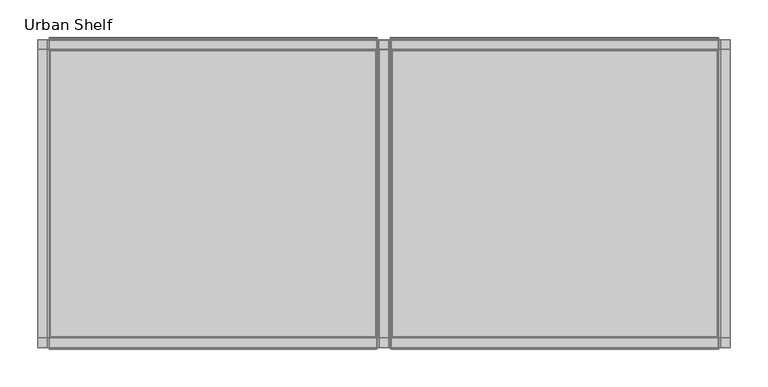
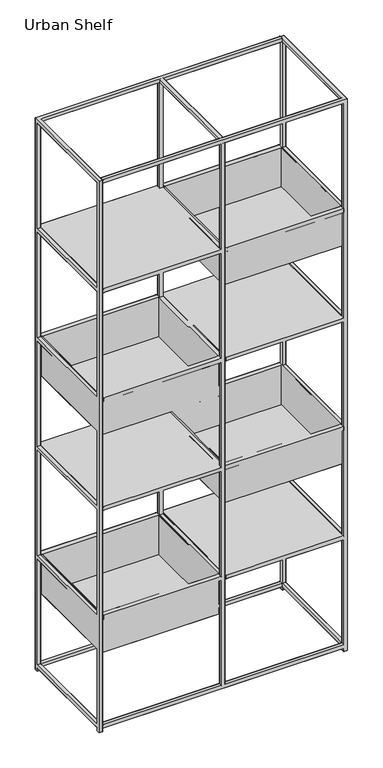
"""IFC4 building model written with IfcOpenShell, lengths in millimetres: furniture geometry, Urban Shelf."""

import ifcopenshell
import ifcopenshell.guid

model = None  # the IFC model being written
_history = None  # IfcOwnerHistory: only IFC2X3 demands one
_inside = {}  # id of a spatial element -> (the spatial element, [elements in it])
_under = {}  # id of a project, library or spatial element -> (it, [spatial elements below it])
_declared = {}  # id of a project -> (the project, [libraries it declares])
_typed = {}  # id of a type object -> (the type object, [elements of that type])
_made_of = {}  # id of a material, layer set ... -> (it, [elements and type objects made of it])


def new_model(schema):
    """Start an empty IFC model of exactly this schema.

    Asked for "IFC4X3", IfcOpenShell would pick the latest addendum, in which some entities
    have other attributes; the version numbers below select the first issue.
    IFC2X3 requires an IfcOwnerHistory on every rooted entity: one is made here for all.
    """
    global model, _history
    if schema == "IFC4X3":
        model = ifcopenshell.file(schema_version=(4, 3, 0, 0))
    else:
        model = ifcopenshell.file(schema=schema)
    _inside.clear()
    _under.clear()
    _declared.clear()
    _typed.clear()
    _made_of.clear()
    _history = None
    if model.schema == "IFC2X3":
        org = make("IfcOrganization", Name="unknown")
        user = make(
            "IfcPersonAndOrganization",
            ThePerson=make("IfcPerson", FamilyName="unknown"),
            TheOrganization=org,
        )
        app = make(
            "IfcApplication",
            ApplicationDeveloper=org,
            Version="unknown",
            ApplicationFullName="unknown",
            ApplicationIdentifier="unknown",
        )
        _history = make(
            "IfcOwnerHistory",
            OwningUser=user,
            OwningApplication=app,
            ChangeAction="ADDED",
            CreationDate=0,
        )
    return model


def make(cls, **values):
    """One entity of the class cls with the attributes given. An attribute that is None is left unset."""
    return model.create_entity(
        cls, **{name: value for name, value in values.items() if value is not None}
    )


def rooted(cls, **values):
    """An entity with a GlobalId (a new one), such as an element, a storey or a relation."""
    return make(cls, GlobalId=ifcopenshell.guid.new(), OwnerHistory=_history, **values)


def si_unit(unit_type, name, prefix=None):
    """IfcSIUnit, for example si_unit("LENGTHUNIT", "METRE", prefix="MILLI")."""
    return make("IfcSIUnit", UnitType=unit_type, Prefix=prefix, Name=name)


def assignment(units):
    """IfcUnitAssignment: the units of a project."""
    return None if units is None else make("IfcUnitAssignment", Units=units)


def point(xyz):
    """IfcCartesianPoint."""
    return None if xyz is None else make("IfcCartesianPoint", Coordinates=xyz)


def direction(xyz):
    """IfcDirection."""
    return None if xyz is None else make("IfcDirection", DirectionRatios=xyz)


def frame(location, z_axis=None, x_axis=None):
    """IfcAxis2Placement3D, a coordinate frame: its origin and axes. An axis left out is left unset."""
    return make(
        "IfcAxis2Placement3D",
        Location=point(location),
        Axis=direction(z_axis),
        RefDirection=direction(x_axis),
    )


def origin():
    """The frame at (0, 0, 0) with its axes left unset."""
    return frame((0.0, 0.0, 0.0))


def place(relative_to, where):
    """IfcLocalPlacement: puts the frame where relative to a parent placement (None: the world)."""
    return make(
        "IfcLocalPlacement", PlacementRelTo=relative_to, RelativePlacement=where
    )


def context(
    kind, dimensions, precision=None, world=None, true_north=None, identifier=None
):
    """IfcGeometricRepresentationContext, for example the 3D "Model" context."""
    return make(
        "IfcGeometricRepresentationContext",
        ContextIdentifier=identifier,
        ContextType=kind,
        CoordinateSpaceDimension=dimensions,
        Precision=precision,
        WorldCoordinateSystem=world,
        TrueNorth=true_north,
    )


def project(units=None, contexts=None):
    """IfcProject with its units and contexts."""
    return rooted(
        "IfcProject",
        Name="project",
        RepresentationContexts=contexts,
        UnitsInContext=assignment(units),
    )


def spatial(cls, under=None, at=None, **own):
    """A site, building, storey or space (cls), placed at a placement, below another one or the project."""
    s = rooted(cls, ObjectPlacement=at, **own)
    if under is not None:
        _under.setdefault(under.id(), (under, []))[1].append(s)
    return s


def point_list(points):
    """IfcCartesianPointList2D or 3D."""
    cls = (
        "IfcCartesianPointList2D" if len(points[0]) == 2 else "IfcCartesianPointList3D"
    )
    return make(cls, CoordList=points)


def triangles(points, corners, closed=None, point_numbers=None):
    """IfcTriangulatedFaceSet: each triangle names its three corners, points numbered from 1."""
    return make(
        "IfcTriangulatedFaceSet",
        Coordinates=point_list(points),
        Closed=closed,
        CoordIndex=corners,
        PnIndex=point_numbers,
    )


def shape(context_of_items, identifier, shape_type, items):
    """IfcShapeRepresentation: the items that make up one representation, for example the "Body"."""
    return make(
        "IfcShapeRepresentation",
        ContextOfItems=context_of_items,
        RepresentationIdentifier=identifier,
        RepresentationType=shape_type,
        Items=items,
    )


def source(mapping_origin, context_of_items, identifier, shape_type, items):
    """IfcRepresentationMap: a shape defined once, which mapped items show again and again."""
    return make(
        "IfcRepresentationMap",
        MappingOrigin=mapping_origin,
        MappedRepresentation=shape(context_of_items, identifier, shape_type, items),
    )


def transform(
    local_origin,
    x_axis=None,
    y_axis=None,
    z_axis=None,
    scale=None,
    scale2=None,
    scale3=None,
    uniform=True,
):
    """IfcCartesianTransformationOperator3D, or its non-uniform kind. x_axis, y_axis, z_axis: its Axis1, 2, 3."""
    if uniform:
        return make(
            "IfcCartesianTransformationOperator3D",
            Axis1=direction(x_axis),
            Axis2=direction(y_axis),
            LocalOrigin=point(local_origin),
            Scale=scale,
            Axis3=direction(z_axis),
        )
    return make(
        "IfcCartesianTransformationOperator3DnonUniform",
        Axis1=direction(x_axis),
        Axis2=direction(y_axis),
        LocalOrigin=point(local_origin),
        Scale=scale,
        Axis3=direction(z_axis),
        Scale2=scale2,
        Scale3=scale3,
    )


def mapped(mapping_source, mapping_target):
    """IfcMappedItem: shows the shape of a source again, moved by a transform."""
    return make(
        "IfcMappedItem", MappingSource=mapping_source, MappingTarget=mapping_target
    )


def made_of(thing, what):
    """Note that an element or type object is made of a material, layer set ...; save() writes the relation."""
    if what is not None:
        _made_of.setdefault(what.id(), (what, []))[1].append(thing)
    return thing


def element(
    cls,
    number,
    at=None,
    inside=None,
    cuts=None,
    type_object=None,
    material=None,
    context=None,
    identifier="Body",
    shape_type=None,
    held_by="IfcProductDefinitionShape",
    body=None,
    shapes=None,
    **own,
):
    """One element of the class cls, such as IfcWall. Its Tag is "e" and its number.

    at: its placement. inside: the storey or other place that contains it. cuts: it is an
    opening in that element (IfcRelVoidsElement). A single representation is given by context,
    identifier, shape_type and body (its items); several are given by shapes. held_by: the class
    of the entity that holds the representations. save() writes the other relations.
    """
    e = rooted(cls, Tag="e%d" % number, ObjectPlacement=at, **own)
    if body is not None:
        shapes = [shape(context, identifier, shape_type, body)]
    if shapes is not None:
        e.Representation = make(held_by, Representations=shapes)
    if inside is not None:
        _inside.setdefault(inside.id(), (inside, []))[1].append(e)
    if cuts is not None:
        rooted(
            "IfcRelVoidsElement", RelatingBuildingElement=cuts, RelatedOpeningElement=e
        )
    if type_object is not None:
        _typed.setdefault(type_object.id(), (type_object, []))[1].append(e)
    return made_of(e, material)


def aggregate(whole, parts):
    """IfcRelAggregates: a whole, such as a stair, and the parts it consists of."""
    return rooted("IfcRelAggregates", RelatingObject=whole, RelatedObjects=parts)


def save(model, path):
    """Write the relations noted so far, then the file.

    IfcRelAggregates (storeys below a building ...), IfcRelContainedInSpatialStructure (elements
    in a storey), IfcRelDefinesByType, IfcRelAssociatesMaterial and IfcRelDeclares: one each for
    every whole, place, type object, material and project.
    """
    for whole, parts in _under.values():
        aggregate(whole, parts)
    for where, things in _inside.values():
        rooted(
            "IfcRelContainedInSpatialStructure",
            RelatedElements=things,
            RelatingStructure=where,
        )
    for kind, things in _typed.values():
        rooted("IfcRelDefinesByType", RelatedObjects=things, RelatingType=kind)
    for what, things in _made_of.values():
        rooted("IfcRelAssociatesMaterial", RelatedObjects=things, RelatingMaterial=what)
    for by, libraries in _declared.values():
        rooted("IfcRelDeclares", RelatingContext=by, RelatedDefinitions=libraries)
    model.write(path)


def urban_shelf_da759b6c(model_context):
    return source(origin(), model_context, "Body", "Tessellation", [
        triangles([(-444.4238176, -203.1999879, 13.2291264), (444.4238176, -203.1999879, 13.2291264), (-444.4238176, -203.1999879, 25.9291995), (444.4238176, -203.1999879, 25.9291995), (-444.4238176, -190.4999637, 13.2291264), (-444.4238176, -190.4999637, 25.9291995), (444.4238176, -190.4999637, 13.2291264), (444.4238176, -190.4999637, 25.9291995), (-444.4238176, 190.5000363, 13.2291264), (444.4238176, 190.5000363, 13.2291264), (-444.4238176, 190.5000363, 25.9291995), (444.4238176, 190.5000363, 25.9291995), (-444.4238176, 203.1999879, 13.2291264), (-444.4238176, 203.1999879, 25.9291995), (444.4238176, 203.1999879, 13.2291264), (444.4238176, 203.1999879, 25.9291995), (457.1240235, -190.4999637, 25.9291995), (457.1240235, -190.4999637, 13.2291264), (457.1240235, 190.5000363, 25.9291995), (457.1240235, 190.5000363, 13.2291264), (6.1210937, -203.1999879, 25.8503412), (6.1210937, -203.1999879, 2130.7058453), (-6.5781249, -203.1999879, 25.8503412), (-6.5781249, -203.1999879, 2130.7058453), (6.1210937, -190.4999637, 25.8503412), (-6.5781249, -190.4999637, 25.8503412), (6.1210937, -190.4999637, 2130.7058453), (-6.5781249, -190.4999637, 2130.7058453), (5.9433594, 190.5000363, 25.8503412), (5.9433594, 190.5000363, 2130.7058453), (-6.7568357, 190.5000363, 25.8503412), (-6.7568357, 190.5000363, 2130.7058453), (5.9433594, 203.1999879, 25.8503412), (-6.7568357, 203.1999879, 25.8503412), (5.9433594, 203.1999879, 2130.7058453), (-6.7568357, 203.1999879, 2130.7058453), (-444.4238176, -203.1999879, 2130.4250484), (444.4238176, -203.1999879, 2130.4250484), (-444.4238176, -203.1999879, 2143.125), (444.4238176, -203.1999879, 2143.125), (-444.4238176, -190.4999637, 2130.4250484), (-444.4238176, -190.4999637, 2143.125), (444.4238176, -190.4999637, 2130.4250484), (444.4238176, -190.4999637, 2143.125), (-444.4238176, 190.5000363, 2130.4250484), (444.4238176, 190.5000363, 2130.4250484), (-444.4238176, 190.5000363, 2143.125), (444.4238176, 190.5000363, 2143.125), (-444.4238176, 203.1999879, 2130.4250484), (-444.4238176, 203.1999879, 2143.125), (444.4238176, 203.1999879, 2130.4250484), (444.4238176, 203.1999879, 2143.125), (444.4238176, -190.4999637, 2142.5956718), (444.4238176, 190.5000363, 2142.5956718), (444.4238176, -190.4999637, 2129.8957203), (444.4238176, 190.5000363, 2129.8957203), (457.1240235, -190.4999637, 2142.5956718), (457.1240235, -190.4999637, 2129.8957203), (457.1240235, 190.5000363, 2142.5956718), (457.1240235, 190.5000363, 2129.8957203), (-457.1240235, -190.4999637, 25.4000235), (-457.1240235, 190.5000363, 25.4000235), (-457.1240235, -190.4999637, 12.6999516), (-457.1240235, 190.5000363, 12.6999516), (-444.4238176, -190.4999637, 25.4000235), (-444.4238176, -190.4999637, 12.6999516), (-444.4238176, 190.5000363, 25.4000235), (-444.4238176, 190.5000363, 12.6999516), (-457.1240235, -190.4999637, 2142.5956718), (-457.1240235, 190.5000363, 2142.5956718), (-457.1240235, -190.4999637, 2129.8957203), (-457.1240235, 190.5000363, 2129.8957203), (-444.4238176, -190.4999637, 2142.5956718), (-444.4238176, -190.4999637, 2129.8957203), (-444.4238176, 190.5000363, 2142.5956718), (-444.4238176, 190.5000363, 2129.8957203), (-6.7314455, -190.4999637, 2143.1842987), (-6.7314455, 190.5000363, 2143.1842987), (-6.7314455, -190.4999637, 2130.4843472), (-6.7314455, 190.5000363, 2130.4843472), (5.9687502, -190.4999637, 2143.1842987), (5.9687502, -190.4999637, 2130.4843472), (5.9687502, 190.5000363, 2143.1842987), (5.9687502, 190.5000363, 2130.4843472), (-444.4238176, -203.1999879, 1706.5592056), (444.4238176, -203.1999879, 1706.5592056), (-444.4238176, -203.1999879, 1719.2591572), (444.4238176, -203.1999879, 1719.2591572), (-444.4238176, -190.4999637, 1706.5592056), (-444.4238176, -190.4999637, 1719.2591572), (444.4238176, -190.4999637, 1706.5592056), (444.4238176, -190.4999637, 1719.2591572), (-444.4238176, 190.5000363, 1706.5592056), (444.4238176, 190.5000363, 1706.5592056), (-444.4238176, 190.5000363, 1719.2591572), (444.4238176, 190.5000363, 1719.2591572), (-444.4238176, 203.1999879, 1706.5592056), (-444.4238176, 203.1999879, 1719.2591572), (444.4238176, 203.1999879, 1706.5592056), (444.4238176, 203.1999879, 1719.2591572), (-457.1240235, -190.4999637, 1719.2591572), (-457.1240235, 190.5000363, 1719.2591572), (-457.1240235, -190.4999637, 1706.5592056), (-457.1240235, 190.5000363, 1706.5592056), (-6.5273439, -190.4999637, 1719.2591572), (-6.5273439, 190.5000363, 1719.2591572), (-6.5273439, -190.4999637, 1706.5592056), (-6.5273439, 190.5000363, 1706.5592056), (6.1718753, -190.4999637, 1719.2591572), (6.1718753, -190.4999637, 1706.5592056), (6.1718753, 190.5000363, 1719.2591572), (6.1718753, 190.5000363, 1706.5592056), (-444.4238176, -203.1999879, 1283.2222549), (444.4238176, -203.1999879, 1283.2222549), (-444.4238176, -203.1999879, 1295.9223518), (444.4238176, -203.1999879, 1295.9223518), (-444.4238176, -190.4999637, 1283.2222549), (-444.4238176, -190.4999637, 1295.9223518), (444.4238176, -190.4999637, 1283.2222549), (444.4238176, -190.4999637, 1295.9223518), (-444.4238176, 190.5000363, 1283.2222549), (444.4238176, 190.5000363, 1283.2222549), (-444.4238176, 190.5000363, 1295.9223518), (444.4238176, 190.5000363, 1295.9223518), (-444.4238176, 203.1999879, 1283.2222549), (-444.4238176, 203.1999879, 1295.9223518), (444.4238176, 203.1999879, 1283.2222549), (444.4238176, 203.1999879, 1295.9223518), (457.1240235, -190.4999637, 1295.9223518), (457.1240235, -190.4999637, 1283.2222549), (457.1240235, 190.5000363, 1295.9223518), (457.1240235, 190.5000363, 1283.2222549), (-457.1240235, -190.4999637, 1295.9223518), (-457.1240235, 190.5000363, 1295.9223518), (-457.1240235, -190.4999637, 1283.2222549), (-457.1240235, 190.5000363, 1283.2222549), (-6.3749998, -190.4999637, 1295.9223518), (-6.3749998, 190.5000363, 1295.9223518), (-6.3749998, -190.4999637, 1283.2222549), (-6.3749998, 190.5000363, 1283.2222549), (6.3242188, -190.4999637, 1295.9223518), (6.3242188, -190.4999637, 1283.2222549), (6.3242188, 190.5000363, 1295.9223518), (6.3242188, 190.5000363, 1283.2222549), (-444.4238176, -203.1999879, 859.8856676), (444.4238176, -203.1999879, 859.8856676), (-444.4238176, -203.1999879, 872.5856918), (444.4238176, -203.1999879, 872.5856918), (-444.4238176, -190.4999637, 859.8856676), (-444.4238176, -190.4999637, 872.5856918), (444.4238176, -190.4999637, 859.8856676), (444.4238176, -190.4999637, 872.5856918), (444.4238176, 190.5000363, 872.5856918), (444.4238176, 190.5000363, 859.8856676), (457.1240235, -190.4999637, 872.5856918), (457.1240235, -190.4999637, 859.8856676), (457.1240235, 190.5000363, 872.5856918), (457.1240235, 190.5000363, 859.8856676), (-457.1240235, -190.4999637, 873.114802), (-457.1240235, 190.5000363, 873.114802), (-457.1240235, -190.4999637, 860.4147778), (-457.1240235, 190.5000363, 860.4147778), (-444.4238176, -190.4999637, 873.114802), (-444.4238176, -190.4999637, 860.4147778), (-444.4238176, 190.5000363, 873.114802), (-444.4238176, 190.5000363, 860.4147778), (-6.6806639, -190.4999637, 872.5856918), (-6.6806639, 190.5000363, 872.5856918), (-6.6806639, -190.4999637, 859.8856676), (-6.6806639, 190.5000363, 859.8856676), (6.0195312, -190.4999637, 872.5856918), (6.0195312, -190.4999637, 859.8856676), (6.0195312, 190.5000363, 872.5856918), (6.0195312, 190.5000363, 859.8856676), (-444.4238176, -203.1999879, 436.0155009), (444.4238176, -203.1999879, 436.0155009), (-444.4238176, -203.1999879, 448.7155615), (444.4238176, -203.1999879, 448.7155615), (-444.4238176, -190.4999637, 436.0176447), (-444.4238176, -190.4999637, 448.7176689), (444.4238176, -190.4999637, 436.0155009), (444.4238176, -190.4999637, 448.7155615), (444.4238176, -190.4999637, 449.2488865), (444.4238176, 190.5000363, 449.2488865), (444.4238176, -190.4999637, 436.5489349), (444.4238176, 190.5000363, 436.5489349), (457.1240235, -190.4999637, 449.2488865), (457.1240235, -190.4999637, 436.5489349), (457.1240235, 190.5000363, 449.2488865), (457.1240235, 190.5000363, 436.5489349), (-457.1240235, -190.4999637, 448.7197763), (-457.1240235, 190.5000363, 448.7197763), (-457.1240235, -190.4999637, 436.0197885), (-457.1240235, 190.5000363, 436.0197885), (-444.4238176, 190.5000363, 448.7197763), (-444.4238176, 190.5000363, 436.0197885), (-6.6552732, -190.4999637, 449.7780693), (-6.6552732, 190.5000363, 449.7780693), (-6.6552732, -190.4999637, 437.0781178), (-6.6552732, 190.5000363, 437.0781178), (6.0449219, -190.4999637, 449.7780693), (6.0449219, -190.4999637, 437.0781178), (6.0449219, 190.5000363, 449.7780693), (6.0449219, 190.5000363, 437.0781178), (457.0478654, -190.4999637, 1719.2591572), (457.0478654, -190.4999637, 1706.5592056), (457.0478654, 190.5000363, 1719.2591572), (457.0478654, 190.5000363, 1706.5592056), (-444.4238176, 190.2206203, 436.0155009), (444.4238176, 190.2206203, 436.0155009), (-444.4238176, 190.2206203, 448.7155615), (444.4238176, 190.2206203, 448.7155615), (-444.4238176, 202.9206808, 436.0155009), (-444.4238176, 202.9206808, 448.7155615), (444.4238176, 202.9206808, 436.0155009), (444.4238176, 202.9206808, 448.7155615), (-444.4238176, 190.2206203, 860.068578), (444.4238176, 190.2206203, 860.068578), (-444.4238176, 190.2206203, 872.7685295), (444.4238176, 190.2206203, 872.7685295), (-444.4238176, 202.9206808, 860.068578), (-444.4238176, 202.9206808, 872.7685295), (444.4238176, 202.9206808, 860.068578), (444.4238176, 202.9206808, 872.7685295), (444.4238176, -203.1999879, 0.0), (444.4238176, -190.4999637, 0.0), (457.1240235, -203.1999879, 0.0), (457.1240235, -190.4999637, 0.0), (457.1240235, -203.1999879, 2142.5956718), (444.4238176, 190.5000363, 0.0), (444.4238176, 203.1999879, 0.0), (457.1240235, 190.5000363, 0.0), (457.1240235, 203.1999879, 0.0), (457.1240235, 203.1999879, 2142.5956718), (444.4238176, 203.1999879, 2142.5956718), (444.4238176, -203.1999879, 2142.5956718), (-457.1240235, -203.1999879, 0.0), (-457.1240235, -190.4999637, 0.0), (-444.4238176, -203.1999879, 0.0), (-444.4238176, -190.4999637, 0.0), (-444.4238176, -203.1999879, 2142.5956718), (-457.1240235, 190.5000363, 0.0), (-457.1240235, 203.1999879, 0.0), (-444.4238176, 190.5000363, 0.0), (-444.4238176, 203.1999879, 0.0), (-444.4238176, 203.1999879, 2142.5956718), (-457.1240235, 203.1999879, 2142.5956718), (-457.1240235, -203.1999879, 2142.5956718), (441.7568293, -205.1172764, 1707.7688702), (441.7568293, -205.1172764, 1721.9036179), (440.2968893, -205.1172764, 1707.7688702), (440.2968893, -205.1172764, 1721.9036179), (441.7568293, -188.6834321, 1721.9040539), (440.2968893, -188.6834321, 1721.9040539), (441.7568293, -190.2709624, 1567.9163601), (441.7568293, -190.2709624, 1720.3162148), (440.2968893, -190.2709624, 1567.9163601), (440.2968893, -190.2709624, 1720.3162148), (441.7568293, -203.5297461, 1720.3162148), (440.2968893, -203.5297461, 1720.3162148), (441.7568293, -203.5297461, 1707.7688702), (440.2968893, -203.5297461, 1707.7688702), (441.7568293, 190.1406469, 1567.9163601), (440.2968893, 190.1406469, 1567.9163601), (441.7568293, -188.6834321, 1569.5037632), (441.7568293, 188.5531348, 1569.5037632), (441.7568293, 188.5531348, 1721.9040539), (440.2968893, -188.6834321, 1569.5037632), (440.2968893, 188.5531348, 1569.5037632), (440.2968893, 188.5531348, 1721.9040539), (9.3974608, -205.1172764, 1707.7688702), (10.8574223, -205.1172764, 1707.7688702), (9.3974608, -205.1172764, 1721.9036179), (10.8574223, -205.1172764, 1721.9036179), (9.3974608, -188.6834321, 1721.9040539), (10.8574223, -188.6834321, 1721.9040539), (9.3974608, -190.2709624, 1567.9163601), (10.8574223, -190.2709624, 1567.9163601), (9.3974608, -190.2709624, 1720.3162148), (10.8574223, -190.2709624, 1720.3162148), (9.3974608, -203.5297461, 1720.3162148), (10.8574223, -203.5297461, 1720.3162148), (9.3974608, -203.5297461, 1707.7688702), (10.8574223, -203.5297461, 1707.7688702), (9.3974608, 190.1406469, 1567.9163601), (10.8574223, 190.1406469, 1567.9163601), (9.3974608, -188.6834321, 1569.5037632), (9.3974608, 188.5531348, 1569.5037632), (10.8574223, -188.6834321, 1569.5037632), (10.8574223, 188.5531348, 1569.5037632), (9.3974608, 188.5531348, 1721.9040539), (10.8574223, 188.5531348, 1721.9040539), (441.7568293, 204.9869609, 1707.7688702), (440.2968893, 204.9869609, 1707.7688702), (441.7568293, 204.9869609, 1721.9036179), (440.2968893, 204.9869609, 1721.9036179), (441.7568293, 190.1406469, 1720.3162148), (440.2968893, 190.1406469, 1720.3162148), (441.7568293, 203.3994488, 1720.3162148), (440.2968893, 203.3994488, 1720.3162148), (441.7568293, 203.3994488, 1707.7688702), (440.2968893, 203.3994488, 1707.7688702), (9.3974608, 204.9869609, 1707.7688702), (9.3974608, 204.9869609, 1721.9036179), (10.8574223, 204.9869609, 1707.7688702), (10.8574223, 204.9869609, 1721.9036179), (9.3974608, 190.1406469, 1720.3162148), (10.8574223, 190.1406469, 1720.3162148), (9.3974608, 203.3994488, 1720.3162148), (10.8574223, 203.3994488, 1720.3162148), (9.3974608, 203.3994488, 1707.7688702), (10.8574223, 203.3994488, 1707.7688702), (441.7568293, -205.1172764, 861.5426886), (441.7568293, -205.1172764, 875.6775816), (440.2968893, -205.1172764, 861.5426886), (440.2968893, -205.1172764, 875.6775816), (441.7568293, -188.6834321, 875.6779449), (440.2968893, -188.6834321, 875.6779449), (441.7568293, -190.2709624, 721.6902512), (441.7568293, -190.2709624, 874.0901785), (440.2968893, -190.2709624, 721.6902512), (440.2968893, -190.2709624, 874.0901785), (441.7568293, -203.5297461, 874.0901785), (440.2968893, -203.5297461, 874.0901785), (441.7568293, -203.5297461, 861.5426886), (440.2968893, -203.5297461, 861.5426886), (441.7568293, 190.1406469, 721.6902512), (440.2968893, 190.1406469, 721.6902512), (441.7568293, -188.6834321, 723.2776543), (441.7568293, 188.5531348, 723.2776543), (441.7568293, 188.5531348, 875.6779449), (440.2968893, -188.6834321, 723.2776543), (440.2968893, 188.5531348, 723.2776543), (440.2968893, 188.5531348, 875.6779449), (9.3974608, -205.1172764, 861.5426886), (10.8574223, -205.1172764, 861.5426886), (9.3974608, -205.1172764, 875.6775816), (10.8574223, -205.1172764, 875.6775816), (9.3974608, -188.6834321, 875.6779449), (10.8574223, -188.6834321, 875.6779449), (9.3974608, -190.2709624, 721.6902512), (10.8574223, -190.2709624, 721.6902512), (9.3974608, -190.2709624, 874.0901785), (10.8574223, -190.2709624, 874.0901785), (9.3974608, -203.5297461, 874.0901785), (10.8574223, -203.5297461, 874.0901785), (9.3974608, -203.5297461, 861.5426886), (10.8574223, -203.5297461, 861.5426886), (9.3974608, 190.1406469, 721.6902512), (10.8574223, 190.1406469, 721.6902512), (9.3974608, -188.6834321, 723.2776543), (9.3974608, 188.5531348, 723.2776543), (10.8574223, -188.6834321, 723.2776543), (10.8574223, 188.5531348, 723.2776543), (9.3974608, 188.5531348, 875.6779449), (10.8574223, 188.5531348, 875.6779449), (441.7568293, 204.9869609, 861.5426886), (440.2968893, 204.9869609, 861.5426886), (441.7568293, 204.9869609, 875.6775816), (440.2968893, 204.9869609, 875.6775816), (441.7568293, 190.1406469, 874.0901785), (440.2968893, 190.1406469, 874.0901785), (441.7568293, 203.3994488, 874.0901785), (440.2968893, 203.3994488, 874.0901785), (441.7568293, 203.3994488, 861.5426886), (440.2968893, 203.3994488, 861.5426886), (9.3974608, 204.9869609, 861.5426886), (9.3974608, 204.9869609, 875.6775816), (10.8574223, 204.9869609, 861.5426886), (10.8574223, 204.9869609, 875.6775816), (9.3974608, 190.1406469, 874.0901785), (10.8574223, 190.1406469, 874.0901785), (9.3974608, 203.3994488, 874.0901785), (10.8574223, 203.3994488, 874.0901785), (9.3974608, 203.3994488, 861.5426886), (10.8574223, 203.3994488, 861.5426886), (-9.5507808, -205.1172764, 1283.4366314), (-9.5507808, -205.1172764, 1297.5715244), (-11.0107423, -205.1172764, 1283.4366314), (-11.0107423, -205.1172764, 1297.5715244), (-9.5507808, -188.6834321, 1297.5719604), (-11.0107423, -188.6834321, 1297.5719604), (-9.5507808, -190.2709624, 1143.584194), (-9.5507808, -190.2709624, 1295.9841213), (-11.0107423, -190.2709624, 1143.584194), (-11.0107423, -190.2709624, 1295.9841213), (-9.5507808, -203.5297461, 1295.9841213), (-11.0107423, -203.5297461, 1295.9841213), (-9.5507808, -203.5297461, 1283.4366314), (-11.0107423, -203.5297461, 1283.4366314), (-9.5507808, 190.1406469, 1143.584194), (-11.0107423, 190.1406469, 1143.584194), (-9.5507808, -188.6834321, 1145.1715971), (-9.5507808, 188.5531348, 1145.1715971), (-9.5507808, 188.5531348, 1297.5719604), (-11.0107423, -188.6834321, 1145.1715971), (-11.0107423, 188.5531348, 1145.1715971), (-11.0107423, 188.5531348, 1297.5719604), (-441.9101629, -205.1172764, 1283.4366314), (-440.4501866, -205.1172764, 1283.4366314), (-441.9101629, -205.1172764, 1297.5715244), (-440.4501866, -205.1172764, 1297.5715244), (-441.9101629, -188.6834321, 1297.5719604), (-440.4501866, -188.6834321, 1297.5719604), (-441.9101629, -190.2709624, 1143.584194), (-440.4501866, -190.2709624, 1143.584194), (-441.9101629, -190.2709624, 1295.9841213), (-440.4501866, -190.2709624, 1295.9841213), (-441.9101629, -203.5297461, 1295.9841213), (-440.4501866, -203.5297461, 1295.9841213), (-441.9101629, -203.5297461, 1283.4366314), (-440.4501866, -203.5297461, 1283.4366314), (-441.9101629, 190.1406469, 1143.584194), (-440.4501866, 190.1406469, 1143.584194), (-441.9101629, -188.6834321, 1145.1715971), (-441.9101629, 188.5531348, 1145.1715971), (-440.4501866, -188.6834321, 1145.1715971), (-440.4501866, 188.5531348, 1145.1715971), (-441.9101629, 188.5531348, 1297.5719604), (-440.4501866, 188.5531348, 1297.5719604), (-9.5507808, 204.9869609, 1283.4366314), (-11.0107423, 204.9869609, 1283.4366314), (-9.5507808, 204.9869609, 1297.5715244), (-11.0107423, 204.9869609, 1297.5715244), (-9.5507808, 190.1406469, 1295.9841213), (-11.0107423, 190.1406469, 1295.9841213), (-9.5507808, 203.3994488, 1295.9841213), (-11.0107423, 203.3994488, 1295.9841213), (-9.5507808, 203.3994488, 1283.4366314), (-11.0107423, 203.3994488, 1283.4366314), (-441.9101629, 204.9869609, 1283.4366314), (-441.9101629, 204.9869609, 1297.5715244), (-440.4501866, 204.9869609, 1283.4366314), (-440.4501866, 204.9869609, 1297.5715244), (-441.9101629, 190.1406469, 1295.9841213), (-440.4501866, 190.1406469, 1295.9841213), (-441.9101629, 203.3994488, 1295.9841213), (-440.4501866, 203.3994488, 1295.9841213), (-441.9101629, 203.3994488, 1283.4366314), (-440.4501866, 203.3994488, 1283.4366314), (-9.5507808, -205.1172764, 436.9053812), (-9.5507808, -205.1172764, 451.0402379), (-11.0107423, -205.1172764, 436.9053812), (-11.0107423, -205.1172764, 451.0402379), (-9.5507808, -188.6834321, 451.0406013), (-11.0107423, -188.6834321, 451.0406013), (-9.5507808, -190.2709624, 297.0529438), (-9.5507808, -190.2709624, 449.4528348), (-11.0107423, -190.2709624, 297.0529438), (-11.0107423, -190.2709624, 449.4528348), (-9.5507808, -203.5297461, 449.4528348), (-11.0107423, -203.5297461, 449.4528348), (-9.5507808, -203.5297461, 436.9053812), (-11.0107423, -203.5297461, 436.9053812), (-9.5507808, 190.1406469, 297.0529438), (-11.0107423, 190.1406469, 297.0529438), (-9.5507808, -188.6834321, 298.6403469), (-9.5507808, 188.5531348, 298.6403469), (-9.5507808, 188.5531348, 451.0406013), (-11.0107423, -188.6834321, 298.6403469), (-11.0107423, 188.5531348, 298.6403469), (-11.0107423, 188.5531348, 451.0406013), (-441.9101629, -205.1172764, 436.9053812), (-440.4501866, -205.1172764, 436.9053812), (-441.9101629, -205.1172764, 451.0402379), (-440.4501866, -205.1172764, 451.0402379), (-441.9101629, -188.6834321, 451.0406013), (-440.4501866, -188.6834321, 451.0406013), (-441.9101629, -190.2709624, 297.0529438), (-440.4501866, -190.2709624, 297.0529438), (-441.9101629, -190.2709624, 449.4528348), (-440.4501866, -190.2709624, 449.4528348), (-441.9101629, -203.5297461, 449.4528348), (-440.4501866, -203.5297461, 449.4528348), (-441.9101629, -203.5297461, 436.9053812), (-440.4501866, -203.5297461, 436.9053812), (-441.9101629, 190.1406469, 297.0529438), (-440.4501866, 190.1406469, 297.0529438), (-441.9101629, -188.6834321, 298.6403469), (-441.9101629, 188.5531348, 298.6403469), (-440.4501866, -188.6834321, 298.6403469), (-440.4501866, 188.5531348, 298.6403469), (-441.9101629, 188.5531348, 451.0406013), (-440.4501866, 188.5531348, 451.0406013), (-9.5507808, 204.9869609, 436.9053812), (-11.0107423, 204.9869609, 436.9053812), (-9.5507808, 204.9869609, 451.0402379), (-11.0107423, 204.9869609, 451.0402379), (-9.5507808, 190.1406469, 449.4528348), (-11.0107423, 190.1406469, 449.4528348), (-9.5507808, 203.3994488, 449.4528348), (-11.0107423, 203.3994488, 449.4528348), (-9.5507808, 203.3994488, 436.9053812), (-11.0107423, 203.3994488, 436.9053812), (-441.9101629, 204.9869609, 436.9053812), (-441.9101629, 204.9869609, 451.0402379), (-440.4501866, 204.9869609, 436.9053812), (-440.4501866, 204.9869609, 451.0402379), (-441.9101629, 190.1406469, 449.4528348), (-440.4501866, 190.1406469, 449.4528348), (-441.9101629, 203.3994488, 449.4528348), (-440.4501866, 203.3994488, 449.4528348), (-441.9101629, 203.3994488, 436.9053812), (-440.4501866, 203.3994488, 436.9053812), (-8.9658204, -203.4286803, 1718.9449322), (-8.9658204, 203.8857745, 1718.9449322), (-8.9658204, -205.0161379, 1720.5324806), (-8.9658204, 205.4733048, 1720.5324806), (-8.9658204, -205.0161379, 1706.1178082), (-442.188489, -205.0161379, 1706.1178082), (-442.188489, -205.0161379, 1720.5324806), (-442.188489, 205.4733048, 1720.5324806), (-8.9658204, 205.4733048, 1706.1178082), (-442.188489, 205.4733048, 1706.1178082), (-8.9658204, 203.8857745, 1706.1178082), (-442.188489, 203.8857745, 1706.1178082), (-442.188489, 203.8857745, 1718.9449322), (-442.188489, -203.4286803, 1718.9449322), (-8.9658204, -203.4286803, 1706.1178082), (-442.188489, -203.4286803, 1706.1178082), (-8.9658204, -203.4286803, 872.7184599), (-8.9658204, 203.8857745, 872.7184599), (-8.9658204, -205.0161379, 874.3059357), (-8.9658204, 205.4733048, 874.3059357), (-8.9658204, -205.0161379, 859.8912632), (-442.188489, -205.0161379, 859.8912632), (-442.188489, -205.0161379, 874.3059357), (-442.188489, 205.4733048, 874.3059357), (-8.9658204, 205.4733048, 859.8912632), (-442.188489, 205.4733048, 859.8912632), (-8.9658204, 203.8857745, 859.8912632), (-442.188489, 203.8857745, 859.8912632), (-442.188489, 203.8857745, 872.7184599), (-442.188489, -203.4286803, 872.7184599), (-8.9658204, -203.4286803, 859.8912632), (-442.188489, -203.4286803, 859.8912632), (441.4775222, -203.4286803, 1296.034845), (441.4775222, 203.8857745, 1296.034845), (441.4775222, -205.0161379, 1297.6223934), (441.4775222, 205.4733048, 1297.6223934), (441.4775222, -205.0161379, 1283.2077209), (8.2548826, -205.0161379, 1283.2077209), (8.2548826, -205.0161379, 1297.6223934), (8.2548826, 205.4733048, 1297.6223934), (441.4775222, 205.4733048, 1283.2077209), (8.2548826, 205.4733048, 1283.2077209), (441.4775222, 203.8857745, 1283.2077209), (8.2548826, 203.8857745, 1283.2077209), (8.2548826, 203.8857745, 1296.034845), (8.2548826, -203.4286803, 1296.034845), (441.4775222, -203.4286803, 1283.2077209), (8.2548826, -203.4286803, 1283.2077209), (441.4775222, -203.4286803, 449.5036311), (441.4775222, 203.8857745, 449.5036311), (441.4775222, -205.0161379, 451.0911432), (441.4775222, 205.4733048, 451.0911432), (441.4775222, -205.0161379, 436.6764708), (8.2548826, -205.0161379, 436.6764708), (8.2548826, -205.0161379, 451.0911432), (8.2548826, 205.4733048, 451.0911432), (441.4775222, 205.4733048, 436.6764708), (8.2548826, 205.4733048, 436.6764708), (441.4775222, 203.8857745, 436.6764708), (8.2548826, 203.8857745, 436.6764708), (8.2548826, 203.8857745, 449.5036311), (8.2548826, -203.4286803, 449.5036311), (441.4775222, -203.4286803, 436.6764708), (8.2548826, -203.4286803, 436.6764708)], [[1, 2, 3], [2, 4, 3], [5, 6, 7], [6, 8, 7], [1, 5, 2], [5, 7, 2], [4, 8, 3], [8, 6, 3], [9, 10, 11], [10, 12, 11], [13, 14, 15], [14, 16, 15], [9, 13, 10], [13, 15, 10], [12, 16, 11], [16, 14, 11], [8, 12, 7], [12, 10, 7], [17, 18, 19], [18, 20, 19], [8, 17, 12], [17, 19, 12], [10, 20, 7], [20, 18, 7], [21, 22, 23], [22, 24, 23], [25, 26, 27], [26, 28, 27], [21, 25, 22], [25, 27, 22], [22, 27, 24], [27, 28, 24], [24, 28, 23], [28, 26, 23], [23, 26, 21], [26, 25, 21], [29, 30, 31], [30, 32, 31], [33, 34, 35], [34, 36, 35], [29, 33, 30], [33, 35, 30], [30, 35, 32], [35, 36, 32], [32, 36, 31], [36, 34, 31], [31, 34, 29], [34, 33, 29], [37, 38, 39], [38, 40, 39], [41, 42, 43], [42, 44, 43], [37, 41, 38], [41, 43, 38], [38, 43, 40], [43, 44, 40], [40, 44, 39], [44, 42, 39], [39, 42, 37], [42, 41, 37], [45, 46, 47], [46, 48, 47], [49, 50, 51], [50, 52, 51], [45, 49, 46], [49, 51, 46], [46, 51, 48], [51, 52, 48], [48, 52, 47], [52, 50, 47], [47, 50, 45], [50, 49, 45], [53, 54, 55], [54, 56, 55], [57, 58, 59], [58, 60, 59], [53, 57, 54], [57, 59, 54], [54, 59, 56], [59, 60, 56], [56, 60, 55], [60, 58, 55], [55, 58, 53], [58, 57, 53], [61, 62, 63], [62, 64, 63], [65, 66, 67], [66, 68, 67], [61, 65, 62], [65, 67, 62], [64, 68, 63], [68, 66, 63], [69, 70, 71], [70, 72, 71], [73, 74, 75], [74, 76, 75], [69, 73, 70], [73, 75, 70], [70, 75, 72], [75, 76, 72], [72, 76, 71], [76, 74, 71], [71, 74, 69], [74, 73, 69], [77, 78, 79], [78, 80, 79], [81, 82, 83], [82, 84, 83], [77, 81, 78], [81, 83, 78], [78, 83, 80], [83, 84, 80], [80, 84, 79], [84, 82, 79], [79, 82, 77], [82, 81, 77], [85, 86, 87], [86, 88, 87], [89, 90, 91], [90, 92, 91], [85, 89, 86], [89, 91, 86], [86, 91, 88], [91, 92, 88], [88, 92, 87], [92, 90, 87], [87, 90, 85], [90, 89, 85], [93, 94, 95], [94, 96, 95], [97, 98, 99], [98, 100, 99], [93, 97, 94], [97, 99, 94], [94, 99, 96], [99, 100, 96], [96, 100, 95], [100, 98, 95], [95, 98, 93], [98, 97, 93], [101, 102, 103], [102, 104, 103], [90, 89, 95], [89, 93, 95], [101, 90, 102], [90, 95, 102], [102, 95, 104], [95, 93, 104], [104, 93, 103], [93, 89, 103], [103, 89, 101], [89, 90, 101], [105, 106, 107], [106, 108, 107], [109, 110, 111], [110, 112, 111], [105, 109, 106], [109, 111, 106], [106, 111, 108], [111, 112, 108], [108, 112, 107], [112, 110, 107], [107, 110, 105], [110, 109, 105], [113, 114, 115], [114, 116, 115], [117, 118, 119], [118, 120, 119], [113, 117, 114], [117, 119, 114], [116, 120, 115], [120, 118, 115], [121, 122, 123], [122, 124, 123], [125, 126, 127], [126, 128, 127], [121, 125, 122], [125, 127, 122], [122, 127, 124], [127, 128, 124], [124, 128, 123], [128, 126, 123], [120, 124, 119], [124, 122, 119], [129, 130, 131], [130, 132, 131], [120, 129, 124], [129, 131, 124], [124, 131, 122], [131, 132, 122], [122, 132, 119], [132, 130, 119], [133, 134, 135], [134, 136, 135], [118, 117, 123], [117, 121, 123], [133, 118, 134], [118, 123, 134], [136, 121, 135], [121, 117, 135], [137, 138, 139], [138, 140, 139], [141, 142, 143], [142, 144, 143], [137, 141, 138], [141, 143, 138], [140, 144, 139], [144, 142, 139], [145, 146, 147], [146, 148, 147], [149, 150, 151], [150, 152, 151], [145, 149, 146], [149, 151, 146], [146, 151, 148], [151, 152, 148], [148, 152, 147], [152, 150, 147], [152, 153, 151], [153, 154, 151], [155, 156, 157], [156, 158, 157], [152, 155, 153], [155, 157, 153], [153, 157, 154], [157, 158, 154], [154, 158, 151], [158, 156, 151], [151, 156, 152], [156, 155, 152], [159, 160, 161], [160, 162, 161], [163, 164, 165], [164, 166, 165], [159, 163, 160], [163, 165, 160], [162, 166, 161], [166, 164, 161], [167, 168, 169], [168, 170, 169], [171, 172, 173], [172, 174, 173], [167, 171, 168], [171, 173, 168], [168, 173, 170], [173, 174, 170], [170, 174, 169], [174, 172, 169], [169, 172, 167], [172, 171, 167], [175, 176, 177], [176, 178, 177], [179, 180, 181], [180, 182, 181], [175, 179, 176], [179, 181, 176], [178, 182, 177], [182, 180, 177], [183, 184, 185], [184, 186, 185], [187, 188, 189], [188, 190, 189], [183, 187, 184], [187, 189, 184], [186, 190, 185], [190, 188, 185], [191, 192, 193], [192, 194, 193], [180, 179, 195], [179, 196, 195], [191, 180, 192], [180, 195, 192], [194, 196, 193], [196, 179, 193], [197, 198, 199], [198, 200, 199], [201, 202, 203], [202, 204, 203], [197, 201, 198], [201, 203, 198], [200, 204, 199], [204, 202, 199], [92, 96, 91], [96, 94, 91], [205, 206, 207], [206, 208, 207], [92, 205, 96], [205, 207, 96], [96, 207, 94], [207, 208, 94], [94, 208, 91], [208, 206, 91], [91, 206, 92], [206, 205, 92], [209, 210, 211], [210, 212, 211], [213, 214, 215], [214, 216, 215], [209, 213, 210], [213, 215, 210], [212, 216, 211], [216, 214, 211], [217, 218, 219], [218, 220, 219], [221, 222, 223], [222, 224, 223], [217, 221, 218], [221, 223, 218], [218, 223, 220], [223, 224, 220], [220, 224, 219], [224, 222, 219], [225, 226, 227], [226, 228, 227], [227, 228, 229], [228, 57, 229], [226, 53, 228], [53, 57, 228], [230, 231, 232], [231, 233, 232], [232, 233, 59], [233, 234, 59], [231, 235, 233], [235, 234, 233], [236, 225, 229], [225, 227, 229], [53, 226, 236], [226, 225, 236], [54, 230, 59], [230, 232, 59], [235, 231, 54], [231, 230, 54], [229, 57, 236], [57, 53, 236], [59, 234, 54], [234, 235, 54], [237, 238, 239], [238, 240, 239], [239, 240, 241], [240, 73, 241], [238, 69, 240], [69, 73, 240], [242, 243, 244], [243, 245, 244], [244, 245, 75], [245, 246, 75], [243, 247, 245], [247, 246, 245], [248, 237, 241], [237, 239, 241], [69, 238, 248], [238, 237, 248], [70, 242, 75], [242, 244, 75], [247, 243, 70], [243, 242, 70], [241, 73, 248], [73, 69, 248], [75, 246, 70], [246, 247, 70], [249, 250, 251], [250, 252, 251], [250, 253, 252], [253, 254, 252], [255, 256, 257], [256, 258, 257], [256, 259, 258], [259, 260, 258], [259, 261, 260], [261, 262, 260], [261, 249, 262], [249, 251, 262], [255, 257, 263], [257, 264, 263], [250, 249, 259], [249, 261, 259], [259, 256, 250], [256, 253, 250], [256, 255, 253], [255, 265, 253], [265, 266, 253], [266, 267, 253], [268, 254, 269], [254, 270, 269], [254, 253, 270], [253, 267, 270], [271, 272, 273], [272, 274, 273], [273, 274, 275], [274, 276, 275], [277, 278, 279], [278, 280, 279], [279, 280, 281], [280, 282, 281], [281, 282, 283], [282, 284, 283], [283, 284, 271], [284, 272, 271], [285, 286, 277], [286, 278, 277], [273, 281, 271], [281, 283, 271], [281, 273, 279], [273, 275, 279], [279, 275, 277], [275, 287, 277], [277, 287, 285], [287, 288, 285], [289, 268, 290], [268, 269, 290], [274, 272, 252], [272, 251, 252], [276, 274, 254], [274, 252, 254], [289, 276, 268], [276, 254, 268], [280, 278, 258], [278, 257, 258], [282, 280, 260], [280, 258, 260], [284, 282, 262], [282, 260, 262], [272, 284, 251], [284, 262, 251], [287, 275, 288], [275, 291, 288], [290, 292, 289], [292, 276, 289], [292, 291, 276], [291, 275, 276], [293, 294, 295], [294, 296, 295], [295, 296, 267], [296, 270, 267], [263, 264, 297], [264, 298, 297], [297, 298, 299], [298, 300, 299], [299, 300, 301], [300, 302, 301], [301, 302, 293], [302, 294, 293], [295, 299, 293], [299, 301, 293], [299, 295, 297], [295, 267, 297], [297, 267, 263], [267, 266, 263], [263, 266, 255], [266, 265, 255], [303, 304, 305], [304, 306, 305], [304, 291, 306], [291, 292, 306], [285, 307, 286], [307, 308, 286], [307, 309, 308], [309, 310, 308], [309, 311, 310], [311, 312, 310], [311, 303, 312], [303, 305, 312], [304, 303, 309], [303, 311, 309], [309, 307, 304], [307, 291, 304], [307, 285, 291], [285, 288, 291], [306, 296, 305], [296, 294, 305], [292, 270, 306], [270, 296, 306], [290, 269, 292], [269, 270, 292], [308, 298, 286], [298, 264, 286], [310, 300, 308], [300, 298, 308], [312, 302, 310], [302, 300, 310], [305, 294, 312], [294, 302, 312], [286, 264, 278], [264, 257, 278], [313, 314, 315], [314, 316, 315], [314, 317, 316], [317, 318, 316], [319, 320, 321], [320, 322, 321], [320, 323, 322], [323, 324, 322], [323, 325, 324], [325, 326, 324], [325, 313, 326], [313, 315, 326], [319, 321, 327], [321, 328, 327], [314, 313, 323], [313, 325, 323], [323, 320, 314], [320, 317, 314], [320, 319, 317], [319, 329, 317], [329, 330, 317], [330, 331, 317], [332, 318, 333], [318, 334, 333], [318, 317, 334], [317, 331, 334], [335, 336, 337], [336, 338, 337], [337, 338, 339], [338, 340, 339], [341, 342, 343], [342, 344, 343], [343, 344, 345], [344, 346, 345], [345, 346, 347], [346, 348, 347], [347, 348, 335], [348, 336, 335], [349, 350, 341], [350, 342, 341], [337, 345, 335], [345, 347, 335], [345, 337, 343], [337, 339, 343], [343, 339, 341], [339, 351, 341], [341, 351, 349], [351, 352, 349], [353, 332, 354], [332, 333, 354], [338, 336, 316], [336, 315, 316], [340, 338, 318], [338, 316, 318], [353, 340, 332], [340, 318, 332], [344, 342, 322], [342, 321, 322], [346, 344, 324], [344, 322, 324], [348, 346, 326], [346, 324, 326], [336, 348, 315], [348, 326, 315], [351, 339, 352], [339, 355, 352], [354, 356, 353], [356, 340, 353], [356, 355, 340], [355, 339, 340], [357, 358, 359], [358, 360, 359], [359, 360, 331], [360, 334, 331], [327, 328, 361], [328, 362, 361], [361, 362, 363], [362, 364, 363], [363, 364, 365], [364, 366, 365], [365, 366, 357], [366, 358, 357], [359, 363, 357], [363, 365, 357], [363, 359, 361], [359, 331, 361], [361, 331, 327], [331, 330, 327], [327, 330, 319], [330, 329, 319], [367, 368, 369], [368, 370, 369], [368, 355, 370], [355, 356, 370], [349, 371, 350], [371, 372, 350], [371, 373, 372], [373, 374, 372], [373, 375, 374], [375, 376, 374], [375, 367, 376], [367, 369, 376], [368, 367, 373], [367, 375, 373], [373, 371, 368], [371, 355, 368], [371, 349, 355], [349, 352, 355], [370, 360, 369], [360, 358, 369], [356, 334, 370], [334, 360, 370], [354, 333, 356], [333, 334, 356], [372, 362, 350], [362, 328, 350], [374, 364, 372], [364, 362, 372], [376, 366, 374], [366, 364, 374], [369, 358, 376], [358, 366, 376], [350, 328, 342], [328, 321, 342], [377, 378, 379], [378, 380, 379], [378, 381, 380], [381, 382, 380], [383, 384, 385], [384, 386, 385], [384, 387, 386], [387, 388, 386], [387, 389, 388], [389, 390, 388], [389, 377, 390], [377, 379, 390], [383, 385, 391], [385, 392, 391], [378, 377, 387], [377, 389, 387], [387, 384, 378], [384, 381, 378], [384, 383, 381], [383, 393, 381], [393, 394, 381], [394, 395, 381], [396, 382, 397], [382, 398, 397], [382, 381, 398], [381, 395, 398], [399, 400, 401], [400, 402, 401], [401, 402, 403], [402, 404, 403], [405, 406, 407], [406, 408, 407], [407, 408, 409], [408, 410, 409], [409, 410, 411], [410, 412, 411], [411, 412, 399], [412, 400, 399], [413, 414, 405], [414, 406, 405], [401, 409, 399], [409, 411, 399], [409, 401, 407], [401, 403, 407], [407, 403, 405], [403, 415, 405], [405, 415, 413], [415, 416, 413], [417, 396, 418], [396, 397, 418], [402, 400, 380], [400, 379, 380], [404, 402, 382], [402, 380, 382], [417, 404, 396], [404, 382, 396], [408, 406, 386], [406, 385, 386], [410, 408, 388], [408, 386, 388], [412, 410, 390], [410, 388, 390], [400, 412, 379], [412, 390, 379], [415, 403, 416], [403, 419, 416], [418, 420, 417], [420, 404, 417], [420, 419, 404], [419, 403, 404], [421, 422, 423], [422, 424, 423], [423, 424, 395], [424, 398, 395], [391, 392, 425], [392, 426, 425], [425, 426, 427], [426, 428, 427], [427, 428, 429], [428, 430, 429], [429, 430, 421], [430, 422, 421], [423, 427, 421], [427, 429, 421], [427, 423, 425], [423, 395, 425], [425, 395, 391], [395, 394, 391], [391, 394, 383], [394, 393, 383], [431, 432, 433], [432, 434, 433], [432, 419, 434], [419, 420, 434], [413, 435, 414], [435, 436, 414], [435, 437, 436], [437, 438, 436], [437, 439, 438], [439, 440, 438], [439, 431, 440], [431, 433, 440], [432, 431, 437], [431, 439, 437], [437, 435, 432], [435, 419, 432], [435, 413, 419], [413, 416, 419], [434, 424, 433], [424, 422, 433], [420, 398, 434], [398, 424, 434], [418, 397, 420], [397, 398, 420], [436, 426, 414], [426, 392, 414], [438, 428, 436], [428, 426, 436], [440, 430, 438], [430, 428, 438], [433, 422, 440], [422, 430, 440], [414, 392, 406], [392, 385, 406], [441, 442, 443], [442, 444, 443], [442, 445, 444], [445, 446, 444], [447, 448, 449], [448, 450, 449], [448, 451, 450], [451, 452, 450], [451, 453, 452], [453, 454, 452], [453, 441, 454], [441, 443, 454], [447, 449, 455], [449, 456, 455], [442, 441, 451], [441, 453, 451], [451, 448, 442], [448, 445, 442], [448, 447, 445], [447, 457, 445], [457, 458, 445], [458, 459, 445], [460, 446, 461], [446, 462, 461], [446, 445, 462], [445, 459, 462], [463, 464, 465], [464, 466, 465], [465, 466, 467], [466, 468, 467], [469, 470, 471], [470, 472, 471], [471, 472, 473], [472, 474, 473], [473, 474, 475], [474, 476, 475], [475, 476, 463], [476, 464, 463], [477, 478, 469], [478, 470, 469], [465, 473, 463], [473, 475, 463], [473, 465, 471], [465, 467, 471], [471, 467, 469], [467, 479, 469], [469, 479, 477], [479, 480, 477], [481, 460, 482], [460, 461, 482], [466, 464, 444], [464, 443, 444], [468, 466, 446], [466, 444, 446], [481, 468, 460], [468, 446, 460], [472, 470, 450], [470, 449, 450], [474, 472, 452], [472, 450, 452], [476, 474, 454], [474, 452, 454], [464, 476, 443], [476, 454, 443], [479, 467, 480], [467, 483, 480], [482, 484, 481], [484, 468, 481], [484, 483, 468], [483, 467, 468], [485, 486, 487], [486, 488, 487], [487, 488, 459], [488, 462, 459], [455, 456, 489], [456, 490, 489], [489, 490, 491], [490, 492, 491], [491, 492, 493], [492, 494, 493], [493, 494, 485], [494, 486, 485], [487, 491, 485], [491, 493, 485], [491, 487, 489], [487, 459, 489], [489, 459, 455], [459, 458, 455], [455, 458, 447], [458, 457, 447], [495, 496, 497], [496, 498, 497], [496, 483, 498], [483, 484, 498], [477, 499, 478], [499, 500, 478], [499, 501, 500], [501, 502, 500], [501, 503, 502], [503, 504, 502], [503, 495, 504], [495, 497, 504], [496, 495, 501], [495, 503, 501], [501, 499, 496], [499, 483, 496], [499, 477, 483], [477, 480, 483], [498, 488, 497], [488, 486, 497], [484, 462, 498], [462, 488, 498], [482, 461, 484], [461, 462, 484], [500, 490, 478], [490, 456, 478], [502, 492, 500], [492, 490, 500], [504, 494, 502], [494, 492, 502], [497, 486, 504], [486, 494, 504], [478, 456, 470], [456, 449, 470], [505, 506, 507], [506, 508, 507], [509, 507, 510], [507, 511, 510], [507, 508, 511], [508, 512, 511], [508, 513, 512], [513, 514, 512], [513, 515, 514], [515, 516, 514], [515, 506, 516], [506, 517, 516], [506, 505, 517], [505, 518, 517], [505, 519, 518], [519, 520, 518], [519, 509, 520], [509, 510, 520], [514, 516, 512], [516, 517, 512], [507, 509, 505], [509, 519, 505], [506, 515, 508], [515, 513, 508], [517, 518, 512], [518, 511, 512], [518, 520, 511], [520, 510, 511], [521, 522, 523], [522, 524, 523], [525, 523, 526], [523, 527, 526], [523, 524, 527], [524, 528, 527], [524, 529, 528], [529, 530, 528], [529, 531, 530], [531, 532, 530], [531, 522, 532], [522, 533, 532], [522, 521, 533], [521, 534, 533], [521, 535, 534], [535, 536, 534], [535, 525, 536], [525, 526, 536], [530, 532, 528], [532, 533, 528], [523, 525, 521], [525, 535, 521], [522, 531, 524], [531, 529, 524], [533, 534, 528], [534, 527, 528], [534, 536, 527], [536, 526, 527], [537, 538, 539], [538, 540, 539], [541, 539, 542], [539, 543, 542], [539, 540, 543], [540, 544, 543], [540, 545, 544], [545, 546, 544], [545, 547, 546], [547, 548, 546], [547, 538, 548], [538, 549, 548], [538, 537, 549], [537, 550, 549], [537, 551, 550], [551, 552, 550], [551, 541, 552], [541, 542, 552], [546, 548, 544], [548, 549, 544], [539, 541, 537], [541, 551, 537], [538, 547, 540], [547, 545, 540], [549, 550, 544], [550, 543, 544], [550, 552, 543], [552, 542, 543], [553, 554, 555], [554, 556, 555], [557, 555, 558], [555, 559, 558], [555, 556, 559], [556, 560, 559], [556, 561, 560], [561, 562, 560], [561, 563, 562], [563, 564, 562], [563, 554, 564], [554, 565, 564], [554, 553, 565], [553, 566, 565], [553, 567, 566], [567, 568, 566], [567, 557, 568], [557, 558, 568], [562, 564, 560], [564, 565, 560], [555, 557, 553], [557, 567, 553], [554, 563, 556], [563, 561, 556], [565, 566, 560], [566, 559, 560], [566, 568, 559], [568, 558, 559]], closed=False),
    ])


if __name__ == "__main__":
    model = new_model("IFC4")
    model_context = context("Model", 3, world=origin())
    ifc_project = project(units=[si_unit("LENGTHUNIT", "METRE", prefix="MILLI")], contexts=[model_context])
    site = spatial("IfcSite", under=ifc_project)
    building = spatial("IfcBuilding", under=site)
    placement = place(None, origin())
    urban_shelf_shape = urban_shelf_da759b6c(model_context)
    element("IfcFurniture", 1, ObjectType="Urban Shelf", at=placement, inside=building, context=model_context, shape_type="MappedRepresentation", body=[
        mapped(urban_shelf_shape, transform((0.0, 0.0, 0.0), x_axis=(1.0, 0.0, 0.0), y_axis=(0.0, 1.0, 0.0), z_axis=(0.0, 0.0, 1.0))),
    ])
    save(model, "model.ifc")
